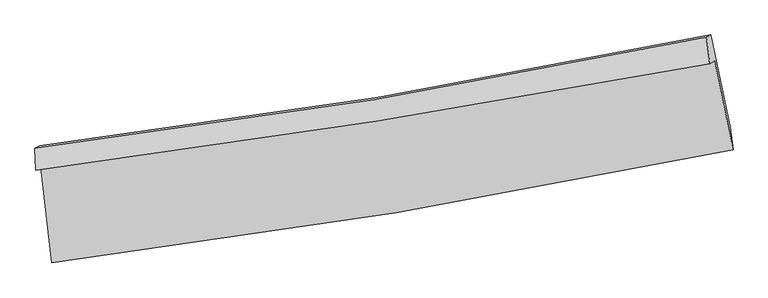
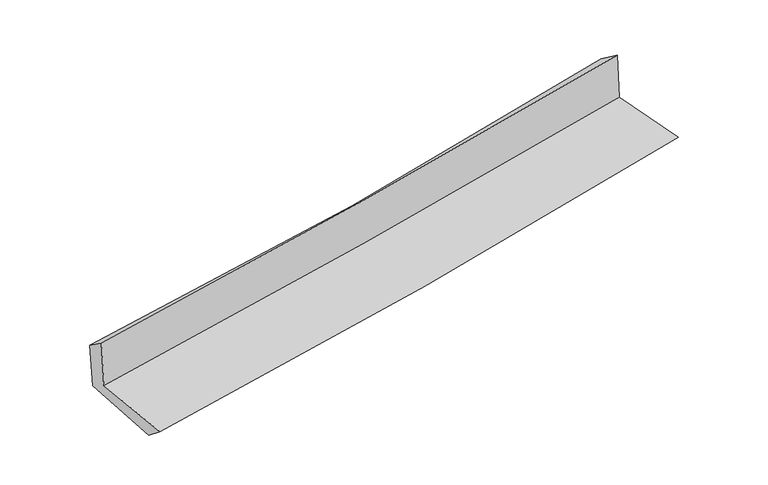
"""IFC4 building model written with IfcOpenShell, lengths in millimetres: proxy geometry."""

from ifc_helpers import new_model, si_unit, frame, origin, place, context, project, spatial, source, transform, mapped, element, save
from ifc_brep_helpers import plane_surface, spline_curve, spline_surface, advanced_brep


def generic_models_03d26290(model_context):
    return source(origin(), model_context, "Body", "AdvancedBrep", [
        advanced_brep(
        [(-2416.6879287, -1867.9333213, 1673.1974633), (-2337.8396426, -2548.0699533, 1647.7471779), (2486.2486641, -1748.387134, 2095.0595801), (2355.971062, -1116.7924549, 2113.7584446), (-2450.7576574, -1891.8284062, 2075.8316362), (2322.322177, -1140.3923776, 2511.4191106), (-2458.1030475, -1737.43028, 1966.0051853), (2297.1895342, -951.5175555, 2374.0142488), (-2425.1850963, -1718.9649259, 1582.6788452), (2327.4075286, -935.0033406, 2026.7438362), (-2343.8453366, -2399.5552083, 1530.4971186), (2465.1474007, -1590.5504975, 1981.2557421)],
        [
            (0, 1),
            (1, 2, spline_curve(3, [(-2337.8396426, -2548.0699533, 1647.7471779), (-1524.379987111, -2445.442609968, 1723.949092585), (-713.123638321, -2326.96960354, 1799.557233558), (894.850960349, -2060.0142894, 1948.646589373), (1691.624047089, -1911.926356247, 2022.142582574), (2486.2486641, -1748.387134, 2095.0595801)], [4, 2, 4], [0.0, 8.058333964974091, 16.015756255117953])),
            (2, 3),
            (3, 0, spline_curve(3, [(2355.971062, -1116.7924549, 2113.7584446), (1568.684561526, -1261.90502262, 2042.355699444), (779.835590075, -1396.72722956, 1970.177153852), (-811.010859838, -1647.370166563, 1823.343294856), (-1613.048218881, -1762.928248612, 1748.668179804), (-2416.6879287, -1867.9333213, 1673.1974633)], [4, 2, 4], [0.0, 7.957422290143862, 16.015756255117953])),
            (4, 0),
            (3, 5),
            (5, 4, spline_curve(3, [(2322.322177, -1140.3923776, 2511.4191106), (1535.104502284, -1285.456673625, 2439.202985475), (746.255531032, -1420.278880524, 2367.024439854), (-844.729443809, -1671.018973155, 2221.827655896), (-1646.907083812, -1786.675442418, 2148.810376524), (-2450.7576574, -1891.8284062, 2075.8316362)], [4, 2, 4], [0.0, 7.908949092242771, 15.918195148746669])),
            (6, 4),
            (5, 7),
            (7, 6, spline_curve(3, [(2297.1895342, -951.5175555, 2374.0142488), (1516.663646523, -1116.62885215, 2298.693080077), (732.645301351, -1264.374682212, 2227.22156215), (-852.363085594, -1526.788821608, 2091.12028333), (-1653.44226736, -1641.013899874, 2026.588780499), (-2458.1030475, -1737.43028, 1966.0051853)], [4, 2, 4], [0.0, 7.897905219727186, 15.89596735136795])),
            (8, 6),
            (7, 9),
            (9, 8, spline_curve(3, [(2327.4075286, -935.0033406, 2026.7438362), (1546.665793789, -1100.263510005, 1953.2462756), (762.761014858, -1247.923693106, 1879.725389938), (-821.355793866, -1509.693438935, 1731.704321833), (-1621.648556733, -1623.353784181, 1657.203543601), (-2425.1850963, -1718.9649259, 1582.6788452)], [4, 2, 4], [0.0, 7.887217735312013, 15.874456849708915])),
            (10, 8),
            (9, 11),
            (11, 10, spline_curve(3, [(2465.1474007, -1590.5504975, 1981.2557421), (1674.093650797, -1759.190944416, 1906.649631237), (880.359408869, -1910.612626792, 1832.020182532), (-722.569754087, -2180.720350572, 1681.767903481), (-1531.833091481, -2298.966905106, 1606.144477728), (-2343.8453366, -2399.5552083, 1530.4971186)], [4, 2, 4], [0.0, 7.936346290823524, 15.973336982187615])),
            (1, 10),
            (11, 2),
        ],
        [
            spline_surface(3, 3, [[(-2416.6879287, -1867.9333213, 1673.1974633), (-1613.048218823, -1762.928248509, 1748.668179917), (-811.010859963, -1647.370166638, 1823.343294806), (779.835590198, -1396.727229486, 1970.177153902), (1568.684561558, -1261.905022592, 2042.355699487), (2355.971062, -1116.7924549, 2113.7584446)], [(-2390.405166681, -2094.64553197, 1664.714034814), (-1583.492141609, -1990.433035705, 1740.428484123), (-778.381786061, -1873.90331229, 1815.414607709), (818.174046927, -1617.822916117, 1963.000299088), (1609.664390049, -1478.578800447, 2035.61799386), (2399.39692937, -1327.324014613, 2107.52548977)], [(-2364.122404619, -2321.35774263, 1656.230606386), (-1553.936064354, -2217.937822892, 1732.188788386), (-745.752712209, -2100.436457926, 1807.48592059), (856.512503607, -1838.918602731, 1955.823444251), (1650.644218529, -1695.252578262, 2028.880288225), (2442.82279673, -1537.855574287, 2101.29253493)], [(-2337.8396426, -2548.0699533, 1647.7471779), (-1524.379987141, -2445.442610088, 1723.949092591), (-713.123638308, -2326.969603579, 1799.557233493), (894.850960336, -2060.014289362, 1948.646589437), (1691.624047021, -1911.926356118, 2022.142582598), (2486.2486641, -1748.387134, 2095.0595801)]], [4, 4], [4, 2, 4], [0.0, 2.231926646622836], [0.0, 8.058333964974091, 16.015756255117953]),
            spline_surface(3, 3, [[(-2450.7576574, -1891.8284062, 2075.8316362), (-1646.907083767, -1786.675442377, 2148.81037659), (-844.729443728, -1671.018973071, 2221.827655882), (746.255530951, -1420.278880607, 2367.024439867), (1535.104502411, -1285.456673712, 2439.202985352), (2322.322177, -1140.3923776, 2511.4191106)], [(-2439.401081178, -1883.863377915, 1941.620245239), (-1635.620795464, -1778.759711103, 2015.429644371), (-833.489915828, -1663.136037591, 2088.999535531), (757.448884012, -1412.428330231, 2234.742011219), (1546.297855472, -1277.606123337, 2306.920556704), (2333.538472011, -1132.525736698, 2378.86555524)], [(-2428.044504922, -1875.898349585, 1807.408854261), (-1624.334507126, -1770.843979783, 1882.048912136), (-822.250387862, -1655.253102118, 1956.171415157), (768.642237138, -1404.577779862, 2102.45958255), (1557.491208498, -1269.755572967, 2174.638128135), (2344.754766989, -1124.659095802, 2246.31199996)], [(-2416.6879287, -1867.9333213, 1673.1974633), (-1613.048218823, -1762.928248509, 1748.668179917), (-811.010859963, -1647.370166638, 1823.343294806), (779.835590198, -1396.727229486, 1970.177153902), (1568.684561558, -1261.905022592, 2042.355699487), (2355.971062, -1116.7924549, 2113.7584446)]], [4, 4], [4, 2, 4], [0.0, 1.31166208557373], [0.0, 8.009246056503898, 15.918195148746669]),
            spline_surface(3, 3, [[(-2458.1030475, -1737.43028, 1966.0051853), (-1653.442267397, -1641.013899812, 2026.588780388), (-852.363085473, -1526.788821687, 2091.120283444), (732.645301232, -1264.374682133, 2227.221562038), (1516.663646545, -1116.628852091, 2298.693080136), (2297.1895342, -951.5175555, 2374.0142488)], [(-2455.654584116, -1788.896322057, 2002.614002258), (-1651.263872836, -1689.567747324, 2067.329312447), (-849.818538231, -1574.865538814, 2134.689407563), (737.182044465, -1316.342748289, 2273.822521288), (1522.810598504, -1172.904792622, 2345.529715204), (2305.567081803, -1014.475829524, 2419.815869396)], [(-2453.206120784, -1840.362364143, 2039.222819242), (-1649.085478328, -1738.121594865, 2108.069844531), (-847.273990969, -1622.942255945, 2178.258531763), (741.718787718, -1368.310814451, 2320.423480618), (1528.957550453, -1229.180733181, 2392.366350284), (2313.944629397, -1077.434103576, 2465.617490004)], [(-2450.7576574, -1891.8284062, 2075.8316362), (-1646.907083767, -1786.675442377, 2148.81037659), (-844.729443728, -1671.018973071, 2221.827655882), (746.255530951, -1420.278880607, 2367.024439867), (1535.104502411, -1285.456673712, 2439.202985352), (2322.322177, -1140.3923776, 2511.4191106)]], [4, 4], [4, 2, 4], [0.0, 0.6634171458613255], [0.0, 7.998062131640764, 15.89596735136795]),
            spline_surface(3, 3, [[(-2425.1850963, -1718.9649259, 1582.6788452), (-1621.648556836, -1623.353784149, 1657.203543562), (-821.355793996, -1509.693438833, 1731.704321718), (762.761014986, -1247.923693207, 1879.725390051), (1546.665793756, -1100.263510059, 1953.246275552), (2327.4075286, -935.0033406, 2026.7438362)], [(-2436.157746694, -1725.120043938, 1710.454291913), (-1632.24646035, -1629.240489375, 1780.33195585), (-831.691557791, -1515.39189981, 1851.509642323), (752.722443765, -1253.407356208, 1995.55744741), (1536.665078011, -1105.718624059, 2068.395210428), (2317.334863792, -940.50807889, 2142.500640415)], [(-2447.130397106, -1731.275161962, 1838.229738587), (-1642.844363883, -1635.127194586, 1903.4603681), (-842.027321677, -1521.09036071, 1971.314962839), (742.683872453, -1258.891019132, 2111.389504679), (1526.66436229, -1111.17373809, 2183.54414526), (2307.262199008, -946.01281721, 2258.257444585)], [(-2458.1030475, -1737.43028, 1966.0051853), (-1653.442267397, -1641.013899812, 2026.588780388), (-852.363085473, -1526.788821687, 2091.120283444), (732.645301232, -1264.374682133, 2227.221562038), (1516.663646545, -1116.628852091, 2298.693080136), (2297.1895342, -951.5175555, 2374.0142488)]], [4, 4], [4, 2, 4], [0.0, 1.165508605242499], [0.0, 7.987239114396902, 15.874456849708915]),
            spline_surface(3, 3, [[(-2343.8453366, -2399.5552083, 1530.4971186), (-1531.833091369, -2298.966905172, 1606.144477826), (-722.569754091, -2180.720350654, 1681.767903601), (880.359408873, -1910.61262671, 1832.020182414), (1674.093650699, -1759.190944309, 1906.649631178), (2465.1474007, -1590.5504975, 1981.2557421)], [(-2370.958589844, -2172.691780816, 1547.89102746), (-1561.771579868, -2073.762531481, 1623.164166398), (-755.498434084, -1957.044713362, 1698.413376292), (841.159944219, -1689.716315524, 1847.921918279), (1631.617698388, -1539.54846623, 1922.181845987), (2419.234110003, -1372.034778538, 1996.418440151)], [(-2398.071843056, -1945.828353384, 1565.28493634), (-1591.710068336, -1848.55815784, 1640.18385499), (-788.427114003, -1733.369076125, 1715.058849027), (801.960479639, -1468.820004393, 1863.823654187), (1589.141746067, -1319.905988137, 1937.714060744), (2373.320819297, -1153.519059562, 2011.581138149)], [(-2425.1850963, -1718.9649259, 1582.6788452), (-1621.648556836, -1623.353784149, 1657.203543562), (-821.355793996, -1509.693438833, 1731.704321718), (762.761014986, -1247.923693207, 1879.725390051), (1546.665793756, -1100.263510059, 1953.246275552), (2327.4075286, -935.0033406, 2026.7438362)]], [4, 4], [4, 2, 4], [0.0, 2.222352890865964], [0.0, 8.03699069136409, 15.973336982187615]),
            spline_surface(3, 3, [[(-2337.8396426, -2548.0699533, 1647.7471779), (-1524.379987141, -2445.442610088, 1723.949092591), (-713.123638308, -2326.969603579, 1799.557233493), (894.850960336, -2060.014289362, 1948.646589437), (1691.624047021, -1911.926356118, 2022.142582598), (2486.2486641, -1748.387134, 2095.0595801)], [(-2339.841540587, -2498.565038303, 1608.663824817), (-1526.864355204, -2396.617375119, 1684.680887686), (-716.272343562, -2278.219852594, 1760.294123526), (890.020443188, -2010.213735135, 1909.771120426), (1685.780581567, -1861.014552184, 1983.64493212), (2479.21490962, -1695.774921836, 2057.124967429)], [(-2341.843438613, -2449.060123297, 1569.580471683), (-1529.348723305, -2347.792140141, 1645.412682731), (-719.421048837, -2229.470101638, 1721.031013568), (885.18992602, -1960.413180937, 1870.895651425), (1679.937116153, -1810.102748242, 1945.147281656), (2472.18115518, -1643.162709664, 2019.190354771)], [(-2343.8453366, -2399.5552083, 1530.4971186), (-1531.833091369, -2298.966905172, 1606.144477826), (-722.569754091, -2180.720350654, 1681.767903601), (880.359408873, -1910.61262671, 1832.020182414), (1674.093650699, -1759.190944309, 1906.649631178), (2465.1474007, -1590.5504975, 1981.2557421)]], [4, 4], [4, 2, 4], [0.0, 0.6201432941644225], [0.0, 8.097024178524958, 16.09265217831777]),
            plane_surface(frame((2375.7143944, -1247.1072267, 2183.7084937), z_axis=(0.9755645612482533, 0.1984348955064796, 0.09432591945926493), x_axis=(-0.08659105695991269, -0.04732224450081669, 0.9951193868224908))),
            plane_surface(frame((-2405.4031182, -2027.2970158, 1745.9929044), z_axis=(-0.9896654177894338, -0.11135110382894971, -0.09035094082376773), x_axis=(-0.11507932470314063, 0.9926615812483606, 0.037144772705910184))),
        ],
        [
            (0, [[1, 2, 3, 4]]),
            (1, [[5, -4, 6, 7]]),
            (2, [[8, -7, 9, 10]]),
            (3, [[11, -10, 12, 13]]),
            (4, [[14, -13, 15, 16]]),
            (5, [[17, -16, 18, -2]]),
            (6, [[-12, -9, -6, -3, -18, -15]]),
            (7, [[-1, -5, -8, -11, -14, -17]]),
        ],
    ),
    ])


if __name__ == "__main__":
    model = new_model("IFC4")
    model_context = context("Model", 3, world=origin())
    ifc_project = project(units=[si_unit("LENGTHUNIT", "METRE", prefix="MILLI")], contexts=[model_context])
    site = spatial("IfcSite", under=ifc_project)
    building = spatial("IfcBuilding", under=site)
    placement = place(None, origin())
    generic_models_shape = generic_models_03d26290(model_context)
    element("IfcBuildingElementProxy", 1, Name="Generic Models", at=placement, inside=building, context=model_context, shape_type="MappedRepresentation", body=[
        mapped(generic_models_shape, transform((0.0, 0.0, 0.0), x_axis=(1.0, 0.0, 0.0), y_axis=(0.0, 1.0, 0.0), z_axis=(0.0, 0.0, 1.0))),
    ])
    save(model, "model.ifc")
